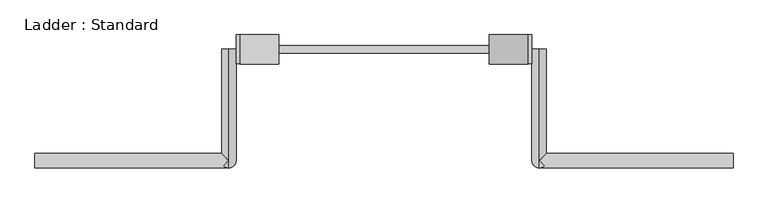
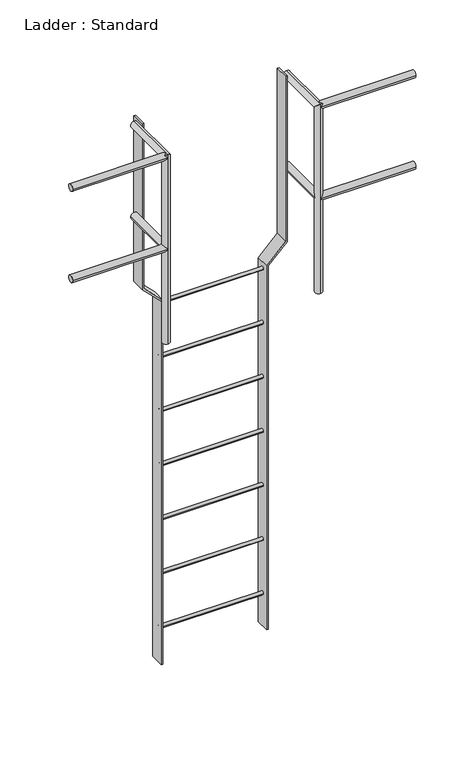
"""IFC4 building model written with IfcOpenShell, lengths in millimetres: proxy geometry, Ladder : Standard."""

from ifc_helpers import new_model, si_unit, point, frame, frame_2d, origin, place, context, project, spatial, polyline, circle_curve, ellipse_curve, trimmed, segment, composite_curve, outline, extrude, source, transform, mapped, element, save
from ifc_brep_helpers import plane_surface, cylinder_surface, advanced_brep


def ladder_standard_c970834c(model_context):
    return source(origin(), model_context, "Body", "SolidModel", [
        extrude(outline(composite_curve([segment(trimmed(circle_curve(frame_2d((292.1, -1828.8)), 9.525), [point((282.575, -1828.8))], [point((301.625, -1828.8))], False, "CARTESIAN"), True, "CONTINUOUS"), segment(trimmed(circle_curve(frame_2d((292.1, -1828.8)), 9.525), [point((301.625, -1828.8))], [point((282.575, -1828.8))], False, "CARTESIAN"), True, "CONTINUOUS")], self_intersect=False)), frame((-276.3329351, 0.0, 0.0), z_axis=(1.0, 0.0, 0.0), x_axis=(0.0, 1.0, 0.0)), (0.0, 0.0, 1.0), 552.6658703),
        extrude(outline(composite_curve([segment(trimmed(circle_curve(frame_2d((292.1, -1524.0)), 9.525), [point((282.575, -1524.0))], [point((301.625, -1524.0))], False, "CARTESIAN"), True, "CONTINUOUS"), segment(trimmed(circle_curve(frame_2d((292.1, -1524.0)), 9.525), [point((301.625, -1524.0))], [point((282.575, -1524.0))], False, "CARTESIAN"), True, "CONTINUOUS")], self_intersect=False)), frame((-276.3329351, 0.0, 0.0), z_axis=(1.0, 0.0, 0.0), x_axis=(0.0, 1.0, 0.0)), (0.0, 0.0, 1.0), 552.6658703),
        extrude(outline(composite_curve([segment(trimmed(circle_curve(frame_2d((292.1, -1219.2)), 9.525), [point((282.575, -1219.2))], [point((301.625, -1219.2))], False, "CARTESIAN"), True, "CONTINUOUS"), segment(trimmed(circle_curve(frame_2d((292.1, -1219.2)), 9.525), [point((301.625, -1219.2))], [point((282.575, -1219.2))], False, "CARTESIAN"), True, "CONTINUOUS")], self_intersect=False)), frame((-276.3329351, 0.0, 0.0), z_axis=(1.0, 0.0, 0.0), x_axis=(0.0, 1.0, 0.0)), (0.0, 0.0, 1.0), 552.6658703),
        extrude(outline(composite_curve([segment(trimmed(circle_curve(frame_2d((292.1, -914.4)), 9.525), [point((282.575, -914.4))], [point((301.625, -914.4))], False, "CARTESIAN"), True, "CONTINUOUS"), segment(trimmed(circle_curve(frame_2d((292.1, -914.4)), 9.525), [point((301.625, -914.4))], [point((282.575, -914.4))], False, "CARTESIAN"), True, "CONTINUOUS")], self_intersect=False)), frame((-276.3329351, 0.0, 0.0), z_axis=(1.0, 0.0, 0.0), x_axis=(0.0, 1.0, 0.0)), (0.0, 0.0, 1.0), 552.6658703),
        extrude(outline(composite_curve([segment(trimmed(circle_curve(frame_2d((292.1, -609.6)), 9.525), [point((282.575, -609.6))], [point((301.625, -609.6))], False, "CARTESIAN"), True, "CONTINUOUS"), segment(trimmed(circle_curve(frame_2d((292.1, -609.6)), 9.525), [point((301.625, -609.6))], [point((282.575, -609.6))], False, "CARTESIAN"), True, "CONTINUOUS")], self_intersect=False)), frame((-276.3329351, 0.0, 0.0), z_axis=(1.0, 0.0, 0.0), x_axis=(0.0, 1.0, 0.0)), (0.0, 0.0, 1.0), 552.6658703),
        extrude(outline(composite_curve([segment(trimmed(circle_curve(frame_2d((292.1, -304.8)), 9.525), [point((282.575, -304.8))], [point((301.625, -304.8))], False, "CARTESIAN"), True, "CONTINUOUS"), segment(trimmed(circle_curve(frame_2d((292.1, -304.8)), 9.525), [point((301.625, -304.8))], [point((282.575, -304.8))], False, "CARTESIAN"), True, "CONTINUOUS")], self_intersect=False)), frame((-276.3329351, 0.0, 0.0), z_axis=(1.0, 0.0, 0.0), x_axis=(0.0, 1.0, 0.0)), (0.0, 0.0, 1.0), 552.6658703),
        extrude(outline(composite_curve([segment(trimmed(circle_curve(frame_2d((292.1, 0.0)), 9.525), [point((282.575, 0.0))], [point((301.625, 0.0))], False, "CARTESIAN"), True, "CONTINUOUS"), segment(trimmed(circle_curve(frame_2d((292.1, 0.0)), 9.525), [point((301.625, 0.0))], [point((282.575, 0.0))], False, "CARTESIAN"), True, "CONTINUOUS")], self_intersect=False)), frame((-276.3329351, 0.0, 0.0), z_axis=(1.0, 0.0, 0.0), x_axis=(0.0, 1.0, 0.0)), (0.0, 0.0, 1.0), 552.6658703),
        advanced_brep(
        [(387.4579351, 292.1, 533.4), (425.5579351, 292.1, 533.4), (425.5579351, 19.05, 533.4), (419.9783193, 13.4703842, 519.9296158), (406.5079351, 19.05, 514.35), (387.4579351, 0.0, 533.4), (406.5079351, 19.05, 552.45), (419.9783193, 13.4703842, 546.8703842), (914.5079351, -19.05, 533.4), (914.5079351, 19.05, 533.4), (406.5079351, -19.05, 533.4), (406.5079351, 19.05, 0.0), (406.5079351, -19.05, 0.0), (406.5079351, 19.05, 1028.7), (419.9783193, 13.4703842, 1034.2796158), (406.5079351, -19.05, 1047.75), (419.9783193, -13.4703842, 1061.2203842), (406.5079351, -19.05, 1066.8), (406.5079351, 292.1, 1028.7), (406.5079351, 292.1, 1066.8), (406.5079351, 0.0, 1066.8), (425.5579351, 19.05, 1047.75), (914.5079351, -19.05, 1047.75), (914.5079351, 19.05, 1047.75)],
        [
            (0, 1, circle_curve(frame((406.5079351, 292.1, 533.4), z_axis=(0.0, 1.0, 0.0), x_axis=(1.0, 0.0, 0.0)), 19.05)),
            (1, 0, circle_curve(frame((406.5079351, 292.1, 533.4), z_axis=(0.0, 1.0, 0.0), x_axis=(1.0, 0.0, 0.0)), 19.05)),
            (1, 2),
            (2, 3, ellipse_curve(frame((406.5079351, 0.0, 533.4), z_axis=(-0.7071067811865459, 0.7071067811865492, 0.0), x_axis=(-0.7071067811865492, -0.7071067811865457, 0.0)), 26.9407684, 19.05)),
            (3, 4, ellipse_curve(frame((406.5079351, 0.0, 533.4), z_axis=(0.0, 0.7071067811865475, 0.7071067811865475), x_axis=(0.0, -0.7071067811865476, 0.7071067811865474)), 26.9407684, 19.05)),
            (4, 5, ellipse_curve(frame((406.5079351, 0.0, 533.4), z_axis=(0.0, 0.7071067811865475, 0.7071067811865475), x_axis=(0.0, -0.7071067811865476, 0.7071067811865474)), 26.9407684, 19.05)),
            (5, 0),
            (5, 6, ellipse_curve(frame((406.5079351, 0.0, 533.4), z_axis=(0.0, 0.7071067811865475, -0.7071067811865475), x_axis=(0.0, -0.7071067811865476, -0.7071067811865474)), 26.9407684, 19.05)),
            (6, 7, ellipse_curve(frame((406.5079351, 0.0, 533.4), z_axis=(0.0, 0.7071067811865475, -0.7071067811865475), x_axis=(0.0, -0.7071067811865476, -0.7071067811865474)), 26.9407684, 19.05)),
            (7, 2, ellipse_curve(frame((406.5079351, 0.0, 533.4), z_axis=(-0.7071067811865459, 0.7071067811865492, 0.0), x_axis=(-0.7071067811865492, -0.7071067811865457, 0.0)), 26.9407684, 19.05)),
            (8, 9, circle_curve(frame((914.5079351, 0.0, 533.4), z_axis=(1.0, 0.0, 0.0), x_axis=(0.0, 1.0, 0.0)), 19.05)),
            (9, 8, circle_curve(frame((914.5079351, 0.0, 533.4), z_axis=(1.0, 0.0, 0.0), x_axis=(0.0, 1.0, 0.0)), 19.05)),
            (8, 10),
            (10, 3, ellipse_curve(frame((406.5079351, 0.0, 533.4), z_axis=(0.7071067811865475, 0.0, 0.7071067811865476), x_axis=(0.7071067811865476, 0.0, -0.7071067811865474)), 26.9407684, 19.05)),
            (2, 9),
            (7, 10, ellipse_curve(frame((406.5079351, 0.0, 533.4), z_axis=(0.7071067811865476, 0.0, -0.7071067811865475), x_axis=(0.7071067811865474, 0.0, 0.7071067811865476)), 26.9407684, 19.05)),
            (11, 12, circle_curve(frame((406.5079351, 0.0, 0.0), z_axis=(0.0, 0.0, -1.0), x_axis=(0.0, -1.0, 0.0)), 19.05)),
            (12, 11, circle_curve(frame((406.5079351, 0.0, 0.0), z_axis=(0.0, 0.0, -1.0), x_axis=(0.0, -1.0, 0.0)), 19.05)),
            (11, 4),
            (10, 12),
            (6, 13),
            (13, 14, ellipse_curve(frame((406.5079351, 0.0, 1047.75), z_axis=(0.0, -0.7071067811865475, -0.7071067811865475), x_axis=(0.0, 0.7071067811865474, -0.7071067811865476)), 26.9407684, 19.05)),
            (14, 15, ellipse_curve(frame((406.5079351, 0.0, 1047.75), z_axis=(-0.7071067811865475, 0.0, -0.7071067811865476), x_axis=(0.7071067811865476, 0.0, -0.7071067811865474)), 26.9407684, 19.05)),
            (15, 10),
            (16, 17, ellipse_curve(frame((406.5079351, 0.0, 1047.75), z_axis=(0.0, -0.7071067811865475, -0.7071067811865475), x_axis=(0.0, 0.7071067811865474, -0.7071067811865476)), 26.9407684, 19.05)),
            (17, 15),
            (15, 16, ellipse_curve(frame((406.5079351, 0.0, 1047.75), z_axis=(-0.7071067811865476, 0.0, 0.7071067811865475), x_axis=(-0.7071067811865474, 0.0, -0.7071067811865476)), 26.9407684, 19.05)),
            (17, 13, ellipse_curve(frame((406.5079351, 0.0, 1047.75), z_axis=(0.0, -0.7071067811865475, -0.7071067811865475), x_axis=(0.0, 0.7071067811865474, -0.7071067811865476)), 26.9407684, 19.05)),
            (18, 19, circle_curve(frame((406.5079351, 292.1, 1047.75), z_axis=(0.0, 1.0, 0.0), x_axis=(0.0, 0.0, 1.0)), 19.05)),
            (19, 18, circle_curve(frame((406.5079351, 292.1, 1047.75), z_axis=(0.0, 1.0, 0.0), x_axis=(0.0, 0.0, 1.0)), 19.05)),
            (16, 20, ellipse_curve(frame((406.5079351, 0.0, 1047.75), z_axis=(-0.7071067811865508, -0.7071067811865441, 0.0), x_axis=(0.7071067811865441, -0.7071067811865509, 0.0)), 26.9407684, 19.05)),
            (20, 17),
            (19, 20),
            (20, 21, ellipse_curve(frame((406.5079351, 0.0, 1047.75), z_axis=(-0.7071067811865441, 0.7071067811865508, 0.0), x_axis=(-0.7071067811865507, -0.7071067811865442, 0.0)), 26.9407684, 19.05)),
            (21, 14, ellipse_curve(frame((406.5079351, 0.0, 1047.75), z_axis=(-0.7071067811865441, 0.7071067811865508, 0.0), x_axis=(-0.7071067811865507, -0.7071067811865442, 0.0)), 26.9407684, 19.05)),
            (13, 18),
            (22, 23, circle_curve(frame((914.5079351, 0.0, 1047.75), z_axis=(1.0, 0.0, 0.0), x_axis=(0.0, 1.0, 0.0)), 19.05)),
            (23, 22, circle_curve(frame((914.5079351, 0.0, 1047.75), z_axis=(1.0, 0.0, 0.0), x_axis=(0.0, 1.0, 0.0)), 19.05)),
            (22, 15),
            (21, 23),
        ],
        [
            plane_surface(frame((425.5579351, 292.1, 533.4), z_axis=(0.0, 1.0, 0.0), x_axis=(0.0, 0.0, -1.0))),
            cylinder_surface(frame((406.5079351, 292.1, 533.4), z_axis=(0.0, -1.0, 0.0), x_axis=(1.0, 0.0, 0.0)), 19.05),
            plane_surface(frame((914.5079351, 19.05, 533.4), z_axis=(1.0, 0.0, 0.0), x_axis=(0.0, 0.0, 1.0))),
            cylinder_surface(frame((406.5079351, 0.0, 533.4), z_axis=(1.0, 0.0, 0.0), x_axis=(0.0, 1.0, 0.0)), 19.05),
            plane_surface(frame((0.0, 0.0, 0.0), z_axis=(0.0, 0.0, -1.0), x_axis=(1.0, 0.0, 0.0))),
            cylinder_surface(frame((406.5079351, 0.0, 0.0), z_axis=(0.0, 0.0, -1.0), x_axis=(0.0, -1.0, 0.0)), 19.05),
            plane_surface(frame((0.0, 292.1, 1047.75), z_axis=(0.0, 1.0, 0.0), x_axis=(1.0, 0.0, 0.0))),
            cylinder_surface(frame((406.5079351, 0.0, 1047.75), z_axis=(0.0, -1.0, 0.0), x_axis=(0.0, 0.0, 1.0)), 19.05),
            plane_surface(frame((914.5079351, 19.05, 1047.75), z_axis=(1.0, 0.0, 0.0), x_axis=(0.0, 0.0, 1.0))),
            cylinder_surface(frame((406.5079351, 0.0, 1047.75), z_axis=(1.0, 0.0, 0.0), x_axis=(0.0, 1.0, 0.0)), 19.05),
        ],
        [
            (0, [[1, 2]]),
            (1, [[-2, 3, 4, 5, 6, 7]]),
            (1, [[-1, -7, 8, 9, 10, -3]]),
            (2, [[11, 12]]),
            (3, [[-11, 13, 14, -4, 15]]),
            (3, [[-12, -15, -10, 16, -13]]),
            (4, [[17, 18]]),
            (5, [[-17, 19, -5, -14, 20]]),
            (5, [[21, 22, 23, 24, -16, -9]]),
            (5, [[25, 26, 27]]),
            (5, [[-18, -20, -24, -26, 28, -21, -8, -6, -19]]),
            (6, [[29, 30]]),
            (7, [[-25, 31, 32]]),
            (7, [[-30, 33, 34, 35, -22, 36]]),
            (7, [[-28, -32, -33, -29, -36]]),
            (8, [[37, 38]]),
            (9, [[-37, 39, -23, -35, 40]]),
            (9, [[-38, -40, -34, -31, -27, -39]]),
        ],
    ),
        advanced_brep(
        [(-914.5079351, -19.05, 533.4), (-914.5079351, 19.05, 533.4), (-425.5579351, 19.05, 533.4), (-419.9783193, 13.4703842, 519.9296158), (-406.5079351, -19.05, 533.4), (-419.9783193, 13.4703842, 546.8703842), (-425.5579351, 292.1, 533.4), (-387.4579351, 292.1, 533.4), (-387.4579351, 0.0, 533.4), (-406.5079351, 19.05, 514.35), (-406.5079351, 19.05, 552.45), (-406.5079351, 19.05, 0.0), (-406.5079351, -19.05, 0.0), (-406.5079351, 19.05, 1028.7), (-406.5079351, -19.05, 1066.8), (-406.5079351, -19.05, 1047.75), (-419.9783193, 13.4703842, 1034.2796158), (-419.9783193, -13.4703842, 1061.2203842), (-406.5079351, 292.1, 1028.7), (-406.5079351, 292.1, 1066.8), (-406.5079351, 0.0, 1066.8), (-425.5579351, 19.05, 1047.75), (-914.5079351, -19.05, 1047.75), (-914.5079351, 19.05, 1047.75)],
        [
            (0, 1, circle_curve(frame((-914.5079351, 0.0, 533.4), z_axis=(-1.0, 0.0, 0.0), x_axis=(0.0, 1.0, 0.0)), 19.05)),
            (1, 0, circle_curve(frame((-914.5079351, 0.0, 533.4), z_axis=(-1.0, 0.0, 0.0), x_axis=(0.0, 1.0, 0.0)), 19.05)),
            (1, 2),
            (2, 3, ellipse_curve(frame((-406.5079351, 0.0, 533.4), z_axis=(-0.7071067811865491, -0.7071067811865458, 0.0), x_axis=(0.7071067811865459, -0.707106781186549, 0.0)), 26.9407684, 19.05)),
            (3, 4, ellipse_curve(frame((-406.5079351, 0.0, 533.4), z_axis=(-0.7071067811865476, 0.0, 0.7071067811865475), x_axis=(0.7071067811865474, 0.0, 0.7071067811865476)), 26.9407684, 19.05)),
            (4, 0),
            (4, 5, ellipse_curve(frame((-406.5079351, 0.0, 533.4), z_axis=(-0.7071067811865475, 0.0, -0.7071067811865476), x_axis=(0.7071067811865476, 0.0, -0.7071067811865474)), 26.9407684, 19.05)),
            (5, 2, ellipse_curve(frame((-406.5079351, 0.0, 533.4), z_axis=(-0.7071067811865491, -0.7071067811865458, 0.0), x_axis=(0.7071067811865459, -0.707106781186549, 0.0)), 26.9407684, 19.05)),
            (6, 7, circle_curve(frame((-406.5079351, 292.1, 533.4), z_axis=(0.0, 1.0, 0.0), x_axis=(1.0, 0.0, 0.0)), 19.05)),
            (7, 6, circle_curve(frame((-406.5079351, 292.1, 533.4), z_axis=(0.0, 1.0, 0.0), x_axis=(1.0, 0.0, 0.0)), 19.05)),
            (7, 8),
            (8, 9, ellipse_curve(frame((-406.5079351, 0.0, 533.4), z_axis=(0.0, 0.7071067811865475, 0.7071067811865475), x_axis=(0.0, -0.7071067811865476, 0.7071067811865474)), 26.9407684, 19.05)),
            (9, 3, ellipse_curve(frame((-406.5079351, 0.0, 533.4), z_axis=(0.0, 0.7071067811865475, 0.7071067811865475), x_axis=(0.0, -0.7071067811865476, 0.7071067811865474)), 26.9407684, 19.05)),
            (2, 6),
            (5, 10, ellipse_curve(frame((-406.5079351, 0.0, 533.4), z_axis=(0.0, 0.7071067811865475, -0.7071067811865475), x_axis=(0.0, -0.7071067811865476, -0.7071067811865474)), 26.9407684, 19.05)),
            (10, 8, ellipse_curve(frame((-406.5079351, 0.0, 533.4), z_axis=(0.0, 0.7071067811865475, -0.7071067811865475), x_axis=(0.0, -0.7071067811865476, -0.7071067811865474)), 26.9407684, 19.05)),
            (11, 12, circle_curve(frame((-406.5079351, 0.0, 0.0), z_axis=(0.0, 0.0, -1.0), x_axis=(0.0, -1.0, 0.0)), 19.05)),
            (12, 11, circle_curve(frame((-406.5079351, 0.0, 0.0), z_axis=(0.0, 0.0, -1.0), x_axis=(0.0, -1.0, 0.0)), 19.05)),
            (11, 9),
            (10, 13),
            (13, 14, ellipse_curve(frame((-406.5079351, 0.0, 1047.75), z_axis=(0.0, -0.7071067811865475, -0.7071067811865475), x_axis=(0.0, 0.7071067811865474, -0.7071067811865476)), 26.9407684, 19.05)),
            (14, 15),
            (15, 4),
            (4, 12),
            (15, 16, ellipse_curve(frame((-406.5079351, 0.0, 1047.75), z_axis=(0.7071067811865476, 0.0, -0.7071067811865475), x_axis=(-0.7071067811865474, 0.0, -0.7071067811865476)), 26.9407684, 19.05)),
            (16, 13, ellipse_curve(frame((-406.5079351, 0.0, 1047.75), z_axis=(0.0, -0.7071067811865475, -0.7071067811865475), x_axis=(0.0, 0.7071067811865474, -0.7071067811865476)), 26.9407684, 19.05)),
            (14, 17, ellipse_curve(frame((-406.5079351, 0.0, 1047.75), z_axis=(0.0, -0.7071067811865475, -0.7071067811865475), x_axis=(0.0, 0.7071067811865474, -0.7071067811865476)), 26.9407684, 19.05)),
            (17, 15, ellipse_curve(frame((-406.5079351, 0.0, 1047.75), z_axis=(0.7071067811865475, 0.0, 0.7071067811865476), x_axis=(0.7071067811865476, 0.0, -0.7071067811865474)), 26.9407684, 19.05)),
            (18, 19, circle_curve(frame((-406.5079351, 292.1, 1047.75), z_axis=(0.0, 1.0, 0.0), x_axis=(0.0, 0.0, 1.0)), 19.05)),
            (19, 18, circle_curve(frame((-406.5079351, 292.1, 1047.75), z_axis=(0.0, 1.0, 0.0), x_axis=(0.0, 0.0, 1.0)), 19.05)),
            (13, 18),
            (19, 20),
            (20, 14),
            (20, 17, ellipse_curve(frame((-406.5079351, 0.0, 1047.75), z_axis=(0.7071067811865441, -0.7071067811865508, 0.0), x_axis=(-0.7071067811865507, -0.7071067811865442, 0.0)), 26.9407684, 19.05)),
            (16, 21, ellipse_curve(frame((-406.5079351, 0.0, 1047.75), z_axis=(0.7071067811865508, 0.7071067811865441, 0.0), x_axis=(0.7071067811865441, -0.7071067811865509, 0.0)), 26.9407684, 19.05)),
            (21, 20, ellipse_curve(frame((-406.5079351, 0.0, 1047.75), z_axis=(0.7071067811865508, 0.7071067811865441, 0.0), x_axis=(0.7071067811865441, -0.7071067811865509, 0.0)), 26.9407684, 19.05)),
            (22, 23, circle_curve(frame((-914.5079351, 0.0, 1047.75), z_axis=(-1.0, 0.0, 0.0), x_axis=(0.0, 1.0, 0.0)), 19.05)),
            (23, 22, circle_curve(frame((-914.5079351, 0.0, 1047.75), z_axis=(-1.0, 0.0, 0.0), x_axis=(0.0, 1.0, 0.0)), 19.05)),
            (23, 21),
            (15, 22),
        ],
        [
            plane_surface(frame((-914.5079351, 19.05, 533.4), z_axis=(-1.0, 0.0, 0.0), x_axis=(0.0, 0.0, -1.0))),
            cylinder_surface(frame((-914.5079351, 0.0, 533.4), z_axis=(1.0, 0.0, 0.0), x_axis=(0.0, 1.0, 0.0)), 19.05),
            plane_surface(frame((-387.4579351, 292.1, 533.4), z_axis=(0.0, 1.0, 0.0), x_axis=(0.0, 0.0, -1.0))),
            cylinder_surface(frame((-406.5079351, 292.1, 533.4), z_axis=(0.0, -1.0, 0.0), x_axis=(1.0, 0.0, 0.0)), 19.05),
            plane_surface(frame((0.0, 0.0, 0.0), z_axis=(0.0, 0.0, -1.0), x_axis=(1.0, 0.0, 0.0))),
            cylinder_surface(frame((-406.5079351, 0.0, 0.0), z_axis=(0.0, 0.0, -1.0), x_axis=(0.0, -1.0, 0.0)), 19.05),
            plane_surface(frame((0.0, 292.1, 1047.75), z_axis=(0.0, 1.0, 0.0), x_axis=(1.0, 0.0, 0.0))),
            cylinder_surface(frame((-406.5079351, 0.0, 1047.75), z_axis=(0.0, -1.0, 0.0), x_axis=(0.0, 0.0, 1.0)), 19.05),
            plane_surface(frame((-914.5079351, 19.05, 1047.75), z_axis=(-1.0, 0.0, 0.0), x_axis=(0.0, 0.0, -1.0))),
            cylinder_surface(frame((-914.5079351, 0.0, 1047.75), z_axis=(1.0, 0.0, 0.0), x_axis=(0.0, 1.0, 0.0)), 19.05),
        ],
        [
            (0, [[1, 2]]),
            (1, [[-2, 3, 4, 5, 6]]),
            (1, [[-1, -6, 7, 8, -3]]),
            (2, [[9, 10]]),
            (3, [[-10, 11, 12, 13, -4, 14]]),
            (3, [[-9, -14, -8, 15, 16, -11]]),
            (4, [[17, 18]]),
            (5, [[-17, 19, -12, -16, 20, 21, 22, 23, 24]]),
            (5, [[-18, -24, -5, -13, -19]]),
            (5, [[-20, -15, -7, -23, 25, 26]]),
            (5, [[27, 28, -22]]),
            (6, [[29, 30]]),
            (7, [[-21, 31, -30, 32, 33]]),
            (7, [[-27, -33, 34]]),
            (7, [[-29, -31, -26, 35, 36, -32]]),
            (8, [[37, 38]]),
            (9, [[-38, 39, -35, -25, 40]]),
            (9, [[-37, -40, -28, -34, -36, -39]]),
        ],
    ),
        extrude(outline(polyline([(1066.8, -387.4579351), (133.35, -387.4579351), (31.75, -285.8579351), (-2014.7139047, -285.8579351), (-2014.7139047, -276.3329351), (35.6953842, -276.3329351), (137.2953842, -377.9329351), (1066.8, -377.9329351), (1066.8, -387.4579351)])), frame((0.0, 254.0, 0.0), z_axis=(0.0, 1.0, 0.0), x_axis=(0.0, 0.0, 1.0)), (0.0, 0.0, 1.0), 76.2),
        extrude(outline(polyline([(1066.8, 377.9329351), (137.2953842, 377.9329351), (35.6953842, 276.3329351), (-2014.7139047, 276.3329351), (-2014.7139047, 285.8579351), (31.75, 285.8579351), (133.35, 387.4579351), (1066.8, 387.4579351), (1066.8, 377.9329351)])), frame((0.0, 254.0, 0.0), z_axis=(0.0, 1.0, 0.0), x_axis=(0.0, 0.0, 1.0)), (0.0, 0.0, 1.0), 76.2),
    ])


if __name__ == "__main__":
    model = new_model("IFC4")
    model_context = context("Model", 3, world=origin())
    ifc_project = project(units=[si_unit("LENGTHUNIT", "METRE", prefix="MILLI")], contexts=[model_context])
    site = spatial("IfcSite", under=ifc_project)
    building = spatial("IfcBuilding", under=site)
    placement = place(None, origin())
    ladder_standard_shape = ladder_standard_c970834c(model_context)
    element("IfcBuildingElementProxy", 1, Name="Ladder : Standard", ObjectType="Ladder : Standard", at=placement, inside=building, context=model_context, shape_type="MappedRepresentation", body=[
        mapped(ladder_standard_shape, transform((0.0, 0.0, 0.0), x_axis=(1.0, 0.0, 0.0), y_axis=(0.0, 1.0, 0.0), z_axis=(0.0, 0.0, 1.0))),
    ])
    save(model, "model.ifc")
